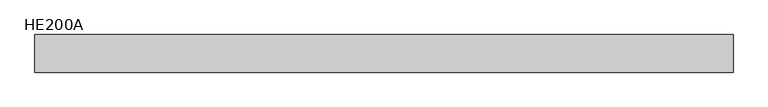
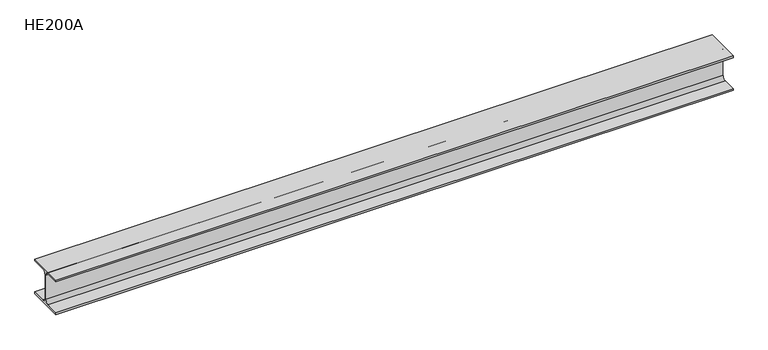
"""IFC4 building model written with IfcOpenShell, lengths in millimetres: beam geometry, HE200A."""

from ifc_helpers import new_model, si_unit, point, frame, frame_2d, origin, place, context, project, spatial, polyline, circle_curve, trimmed, segment, composite_curve, outline, extrude, source, transform, mapped, element, save


def he200a_18ca71d7(model_context):
    return source(origin(), model_context, "Body", "SweptSolid", [
        extrude(outline(composite_curve([segment(polyline([(100.0, -90.0), (100.0, -100.0), (-100.0, -100.0), (-100.0, -90.0), (-24.0, -90.0)]), True, "CONTINUOUS"), segment(trimmed(circle_curve(frame_2d((-24.0, -70.0)), 20.0), [point((-24.0, -90.0))], [point((-4.0, -70.0))], True, "CARTESIAN"), True, "CONTINUOUS"), segment(polyline([(-4.0, -70.0), (-4.0, 70.0)]), True, "CONTINUOUS"), segment(trimmed(circle_curve(frame_2d((-24.0, 70.0)), 20.0), [point((-4.0, 70.0))], [point((-24.0, 90.0))], True, "CARTESIAN"), True, "CONTINUOUS"), segment(polyline([(-24.0, 90.0), (-100.0, 90.0), (-100.0, 100.0), (100.0, 100.0), (100.0, 90.0), (24.0, 90.0)]), True, "CONTINUOUS"), segment(trimmed(circle_curve(frame_2d((24.0, 70.0)), 20.0), [point((24.0, 90.0))], [point((4.0, 70.0))], True, "CARTESIAN"), True, "CONTINUOUS"), segment(polyline([(4.0, 70.0), (4.0, -70.0)]), True, "CONTINUOUS"), segment(trimmed(circle_curve(frame_2d((24.0, -70.0)), 20.0), [point((4.0, -70.0))], [point((24.0, -90.0))], True, "CARTESIAN"), True, "CONTINUOUS"), segment(polyline([(24.0, -90.0), (100.0, -90.0)]), True, "CONTINUOUS")], self_intersect=False)), frame((-1857.0, 0.0, 0.0), z_axis=(1.0, 0.0, 0.0), x_axis=(0.0, 1.0, 0.0)), (0.0, 0.0, 1.0), 3707.0),
    ])


if __name__ == "__main__":
    model = new_model("IFC4")
    model_context = context("Model", 3, world=origin())
    ifc_project = project(units=[si_unit("LENGTHUNIT", "METRE", prefix="MILLI")], contexts=[model_context])
    site = spatial("IfcSite", under=ifc_project)
    building = spatial("IfcBuilding", under=site)
    placement = place(None, origin())
    he200a_shape = he200a_18ca71d7(model_context)
    element("IfcBeam", 1, ObjectType="HE200A", at=placement, inside=building, context=model_context, shape_type="MappedRepresentation", body=[
        mapped(he200a_shape, transform((0.0, 0.0, 0.0), x_axis=(1.0, 0.0, 0.0), y_axis=(0.0, 1.0, 0.0), z_axis=(0.0, 0.0, 1.0))),
    ])
    save(model, "model.ifc")
